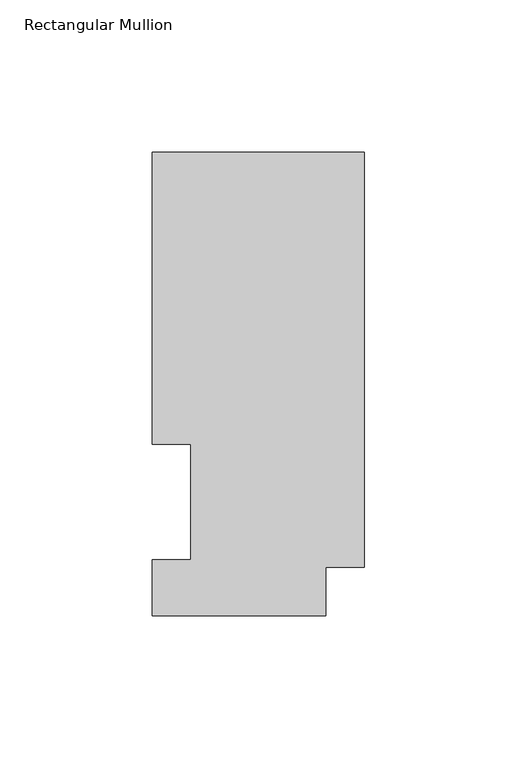
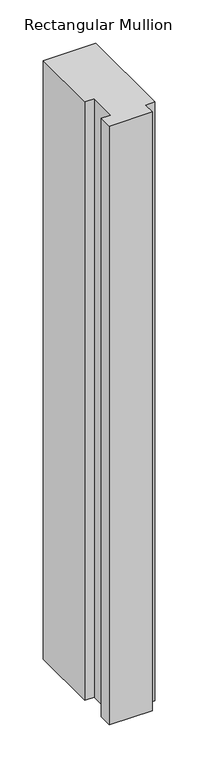
"""IFC4 building model written with IfcOpenShell, lengths in millimetres: member geometry, Rectangular Mullion."""

from ifc_helpers import new_model, si_unit, frame, origin, place, context, project, spatial, polyline, outline, extrude, source, transform, mapped, element, save


def rectangular_mullion_54b1c1ef(model_context):
    return source(origin(), model_context, "Body", "SweptSolid", [
        extrude(outline(polyline([(-69.85, 152.36825), (0.0, 152.36825), (0.0, 15.86865), (-12.7, 15.86865), (-12.7, -0.03175), (-69.85, -0.03175), (-69.85, 18.25625), (-57.15, 18.25625), (-57.15, 56.35625), (-69.85, 56.35625), (-69.85, 152.36825)])), frame((0.0, 0.0, -844.55), z_axis=(0.0, 0.0, 1.0), x_axis=(1.0, 0.0, 0.0)), (0.0, 0.0, 1.0), 844.55),
    ])


if __name__ == "__main__":
    model = new_model("IFC4")
    model_context = context("Model", 3, world=origin())
    ifc_project = project(units=[si_unit("LENGTHUNIT", "METRE", prefix="MILLI")], contexts=[model_context])
    site = spatial("IfcSite", under=ifc_project)
    building = spatial("IfcBuilding", under=site)
    placement = place(None, origin())
    rectangular_mullion_shape = rectangular_mullion_54b1c1ef(model_context)
    element("IfcMember", 1, ObjectType="Rectangular Mullion", at=placement, inside=building, context=model_context, shape_type="MappedRepresentation", body=[
        mapped(rectangular_mullion_shape, transform((0.0, 0.0, 0.0), x_axis=(1.0, 0.0, 0.0), y_axis=(0.0, 1.0, 0.0), z_axis=(0.0, 0.0, 1.0))),
    ])
    save(model, "model.ifc")
